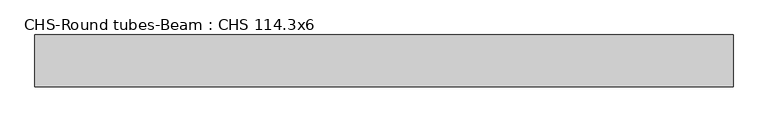
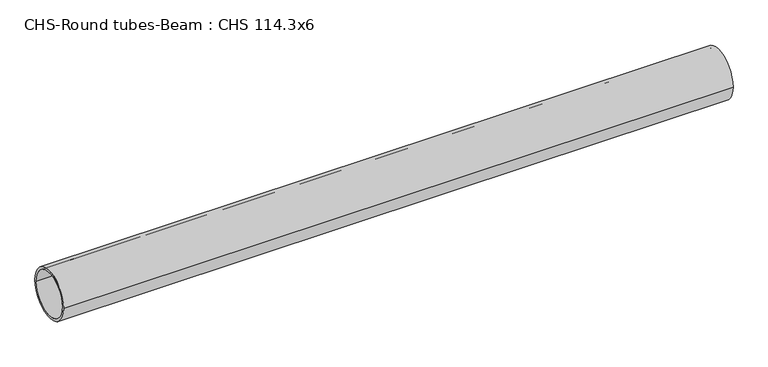
"""IFC4 building model written with IfcOpenShell, lengths in millimetres: beam geometry, CHS-Round tubes-Beam : CHS 114.3x6."""

from ifc_helpers import new_model, si_unit, point, frame, origin, origin_2d, place, context, project, spatial, circle_curve, trimmed, segment, composite_curve, outline, extrude, source, transform, mapped, element, save


def chs_round_tubes_beam_chs_114_3x6_47f5a6f4(model_context):
    return source(origin(), model_context, "Body", "SweptSolid", [
        extrude(outline(composite_curve([segment(trimmed(circle_curve(origin_2d(), 57.15), [point((57.15, 0.0))], [point((-57.15, 0.0))], False, "CARTESIAN"), True, "CONTINUOUS"), segment(trimmed(circle_curve(origin_2d(), 57.15), [point((-57.15, 0.0))], [point((57.15, 0.0))], False, "CARTESIAN"), True, "CONTINUOUS")], self_intersect=False), holes=[composite_curve([segment(trimmed(circle_curve(origin_2d(), 51.15), [point((51.15, 0.0))], [point((-51.15, 0.0))], True, "CARTESIAN"), True, "CONTINUOUS"), segment(trimmed(circle_curve(origin_2d(), 51.15), [point((-51.15, 0.0))], [point((51.15, 0.0))], True, "CARTESIAN"), True, "CONTINUOUS")], self_intersect=False)]), frame((-762.0265331, 0.0, 0.0), z_axis=(1.0, 0.0, 0.0), x_axis=(0.0, 1.0, 0.0)), (0.0, 0.0, 1.0), 1533.5404531),
    ])


if __name__ == "__main__":
    model = new_model("IFC4")
    model_context = context("Model", 3, world=origin())
    ifc_project = project(units=[si_unit("LENGTHUNIT", "METRE", prefix="MILLI")], contexts=[model_context])
    site = spatial("IfcSite", under=ifc_project)
    building = spatial("IfcBuilding", under=site)
    placement = place(None, origin())
    chs_round_tubes_beam_chs_114_3x6_shape = chs_round_tubes_beam_chs_114_3x6_47f5a6f4(model_context)
    element("IfcBeam", 1, ObjectType="CHS-Round tubes-Beam : CHS 114.3x6", at=placement, inside=building, context=model_context, shape_type="MappedRepresentation", body=[
        mapped(chs_round_tubes_beam_chs_114_3x6_shape, transform((0.0, 0.0, 0.0), x_axis=(1.0, 0.0, 0.0), y_axis=(0.0, 1.0, 0.0), z_axis=(0.0, 0.0, 1.0))),
    ])
    save(model, "model.ifc")
